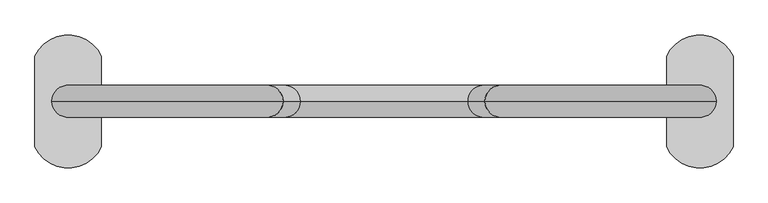
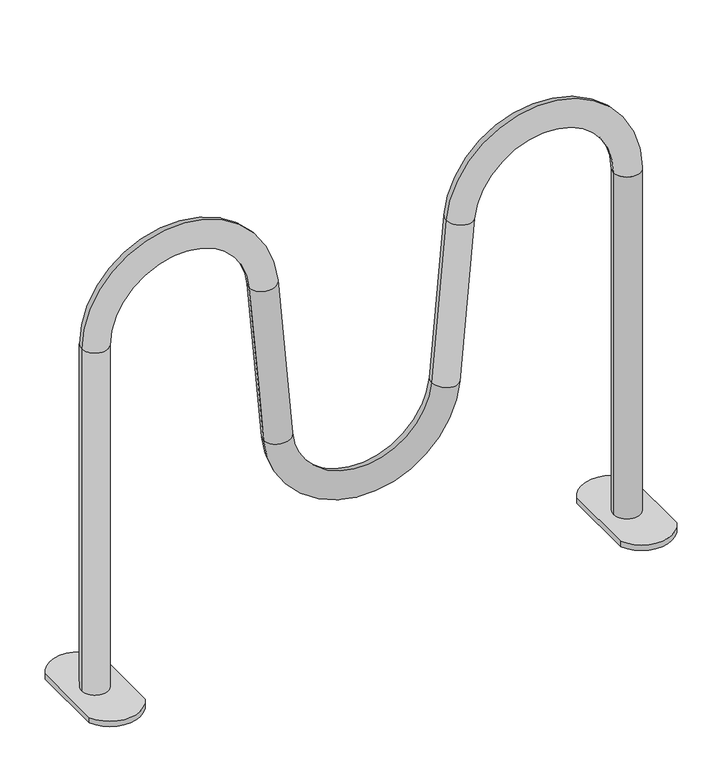
"""IFC4 building model written with IfcOpenShell, lengths in millimetres: furniture geometry."""

from ifc_helpers import new_model, si_unit, point, frame, frame_2d, origin, origin_with_axes, place, context, project, spatial, polyline, circle_curve, ellipse_curve, trimmed, segment, composite_curve, outline, extrude, source, transform, mapped, element, save
from ifc_brep_helpers import plane_surface, cylinder_surface, revolved_surface, advanced_brep


def furniture_773fc859(model_context):
    return source(origin(), model_context, "Body", "SolidModel", [
        extrude(outline(composite_curve([segment(trimmed(circle_curve(frame_2d((474.8388889, -44.9375383)), 55.0625), [point((524.8388889, -68.0000383))], [point((424.8388889, -68.0000383))], False, "CARTESIAN"), True, "CONTINUOUS"), segment(polyline([(424.8388889, -68.0000383), (424.8388889, 67.9999617)]), True, "CONTINUOUS"), segment(trimmed(circle_curve(frame_2d((474.8388889, 44.9374617)), 55.0625), [point((424.8388889, 67.9999617))], [point((524.8388889, 67.9999617))], False, "CARTESIAN"), True, "CONTINUOUS"), segment(polyline([(524.8388889, 67.9999617), (524.8388889, -68.0000383)]), True, "CONTINUOUS")], self_intersect=False)), origin_with_axes(), (0.0, 0.0, 1.0), 10.0),
        extrude(outline(composite_curve([segment(polyline([(-524.8388889, -68.0000383), (-524.8388889, 67.9999617)]), True, "CONTINUOUS"), segment(trimmed(circle_curve(frame_2d((-474.8388889, 44.9374617)), 55.0625), [point((-524.8388889, 67.9999617))], [point((-424.8388889, 67.9999617))], False, "CARTESIAN"), True, "CONTINUOUS"), segment(polyline([(-424.8388889, 67.9999617), (-424.8388889, -68.0000383)]), True, "CONTINUOUS"), segment(trimmed(circle_curve(frame_2d((-474.8388889, -44.9375383)), 55.0625), [point((-424.8388889, -68.0000383))], [point((-524.8388889, -68.0000383))], False, "CARTESIAN"), True, "CONTINUOUS")], self_intersect=False)), origin_with_axes(), (0.0, 0.0, 1.0), 10.0),
        advanced_brep(
        [(-499.170418, 0.0, 10.0), (-451.170418, 0.0, 10.0), (-499.170418, 0.0, 655.5150113), (-451.170418, 0.0, 655.5150113), (-199.618154, 0.0, 666.4980203), (-151.8008084, 0.0, 670.681496), (-125.7877416, 0.0, 373.3507809), (-173.6050871, 0.0, 369.1673052), (173.6050871, 0.0, 369.1673052), (125.7877416, 0.0, 373.3507809), (151.8008084, 0.0, 670.681496), (199.618154, 0.0, 666.4980203), (451.170418, 0.0, 655.5150113), (499.170418, 0.0, 655.5150113), (499.170418, 0.0, 10.0), (451.170418, 0.0, 10.0)],
        [
            (0, 1, circle_curve(frame((-475.170418, 0.0, 10.0), z_axis=(0.0, 0.0, -1.0), x_axis=(1.0, 0.0, 0.0)), 24.0)),
            (1, 0, circle_curve(frame((-475.170418, 0.0, 10.0), z_axis=(0.0, 0.0, -1.0), x_axis=(1.0, 0.0, 0.0)), 24.0)),
            (0, 2),
            (2, 3, circle_curve(frame((-475.170418, 0.0, 655.5150113), z_axis=(0.0, 0.0, -1.0), x_axis=(1.0, 0.0, 0.0)), 24.0)),
            (3, 1),
            (3, 2, circle_curve(frame((-475.170418, 0.0, 655.5150113), z_axis=(0.0, 0.0, -1.0), x_axis=(1.0, 0.0, 0.0)), 24.0)),
            (4, 3, circle_curve(frame((-325.1545217, 0.0, 655.5150113), z_axis=(0.0, -1.0, 0.0), x_axis=(-1.0, 0.0, 0.0)), 126.0158963)),
            (2, 5, circle_curve(frame((-325.1545217, 0.0, 655.5150113), z_axis=(0.0, 1.0, 0.0), x_axis=(-1.0, 0.0, 0.0)), 174.0158963)),
            (5, 4, circle_curve(frame((-175.7094812, 0.0, 668.5897581), z_axis=(-0.08715574274766273, 0.0, 0.9961946980917452), x_axis=(-0.9961946980917452, 0.0, -0.08715574274766273)), 24.0)),
            (4, 5, circle_curve(frame((-175.7094812, 0.0, 668.5897581), z_axis=(-0.08715574274766186, 0.0, 0.9961946980917452), x_axis=(-0.9961946980917452, 0.0, -0.08715574274766186)), 24.0)),
            (5, 6),
            (6, 7, circle_curve(frame((-149.6964143, 0.0, 371.2590431), z_axis=(-0.08715574274765645, 0.0, 0.9961946980917458), x_axis=(-0.9961946980917458, 0.0, -0.08715574274765645)), 24.0)),
            (7, 4),
            (7, 6, circle_curve(frame((-149.6964143, 0.0, 371.2590431), z_axis=(-0.08715574274765645, 0.0, 0.9961946980917458), x_axis=(-0.9961946980917458, 0.0, -0.08715574274765645)), 24.0)),
            (8, 7, circle_curve(frame((0.0, 0.0, 384.3557823), z_axis=(0.0, 1.0, 0.0), x_axis=(-0.9961946980917463, 0.0, -0.0871557427476491)), 174.2682303)),
            (6, 9, circle_curve(frame((0.0, 0.0, 384.3557823), z_axis=(0.0, -1.0, 0.0), x_axis=(-0.9961946980917463, 0.0, -0.0871557427476491)), 126.2682303)),
            (9, 8, circle_curve(frame((149.6964143, 0.0, 371.2590431), z_axis=(-0.08715574274765478, 0.0, -0.9961946980917459), x_axis=(0.9961946980917459, 0.0, -0.08715574274765478)), 24.0)),
            (8, 9, circle_curve(frame((149.6964143, 0.0, 371.2590431), z_axis=(-0.08715574274765656, 0.0, -0.9961946980917457), x_axis=(0.9961946980917457, 0.0, -0.08715574274765656)), 24.0)),
            (9, 10),
            (10, 11, circle_curve(frame((175.7094812, 0.0, 668.5897581), z_axis=(-0.08715574274765646, 0.0, -0.9961946980917458), x_axis=(0.9961946980917458, 0.0, -0.08715574274765646)), 24.0)),
            (11, 8),
            (11, 10, circle_curve(frame((175.7094812, 0.0, 668.5897581), z_axis=(-0.08715574274765646, 0.0, -0.9961946980917458), x_axis=(0.9961946980917458, 0.0, -0.08715574274765646)), 24.0)),
            (12, 11, circle_curve(frame((325.1545217, 0.0, 655.5150113), z_axis=(0.0, -1.0, 0.0), x_axis=(-0.9961946980917457, 0.0, 0.08715574274765718)), 126.0158963)),
            (10, 13, circle_curve(frame((325.1545217, 0.0, 655.5150113), z_axis=(0.0, 1.0, 0.0), x_axis=(-0.9961946980917457, 0.0, 0.08715574274765718)), 174.0158963)),
            (13, 12, circle_curve(frame((475.170418, 0.0, 655.5150113), z_axis=(0.0, 0.0, 1.0), x_axis=(-1.0, 0.0, 0.0)), 24.0)),
            (12, 13, circle_curve(frame((475.170418, 0.0, 655.5150113), z_axis=(0.0, 0.0, 1.0), x_axis=(-1.0, 0.0, 0.0)), 24.0)),
            (14, 15, circle_curve(frame((475.170418, 0.0, 10.0), z_axis=(0.0, 0.0, -1.0), x_axis=(-1.0, 0.0, 0.0)), 24.0)),
            (15, 14, circle_curve(frame((475.170418, 0.0, 10.0), z_axis=(0.0, 0.0, -1.0), x_axis=(-1.0, 0.0, 0.0)), 24.0)),
            (13, 14),
            (15, 12),
        ],
        [
            plane_surface(frame((-451.170418, 0.0, 10.0), z_axis=(0.0, 0.0, -1.0), x_axis=(0.0, -1.0, 0.0))),
            cylinder_surface(frame((-475.170418, 0.0, 10.0), z_axis=(0.0, 0.0, -1.0), x_axis=(1.0, 0.0, 0.0)), 24.0),
            revolved_surface(trimmed(ellipse_curve(frame((-475.170418, 0.0, 655.5150113), z_axis=(0.0, 0.0, -1.0), x_axis=(1.0, 0.0, 0.0)), 24.0, 24.0), [point((-499.170418, 0.0, 655.5150113))], [point((-451.170418, 0.0, 655.5150113))], True, "CARTESIAN"), (-325.1545217, 0.0, 655.5150113), (0.0, 1.0, 0.0)),
            revolved_surface(trimmed(ellipse_curve(frame((-475.170418, 0.0, 655.5150113), z_axis=(0.0, 0.0, -1.0), x_axis=(1.0, 0.0, 0.0)), 24.0, 24.0), [point((-451.170418, 0.0, 655.5150113))], [point((-499.170418, 0.0, 655.5150113))], True, "CARTESIAN"), (-325.1545217, 0.0, 655.5150113), (0.0, 1.0, 0.0)),
            cylinder_surface(frame((-175.7094812, 0.0, 668.5897581), z_axis=(-0.08715574274765645, 0.0, 0.9961946980917458), x_axis=(-0.9961946980917458, 0.0, -0.08715574274765645)), 24.0),
            revolved_surface(trimmed(ellipse_curve(frame((-149.6964143, 0.0, 371.2590431), z_axis=(-0.08715574274764909, 0.0, 0.9961946980917463), x_axis=(-0.9961946980917463, 0.0, -0.08715574274764909)), 24.0, 24.0), [point((-125.7877416, 0.0, 373.3507809))], [point((-173.6050871, 0.0, 369.1673052))], True, "CARTESIAN"), (0.0, 0.0, 384.3557823), (0.0, -1.0, 0.0)),
            revolved_surface(trimmed(ellipse_curve(frame((-149.6964143, 0.0, 371.2590431), z_axis=(-0.08715574274764909, 0.0, 0.9961946980917463), x_axis=(-0.9961946980917463, 0.0, -0.08715574274764909)), 24.0, 24.0), [point((-173.6050871, 0.0, 369.1673052))], [point((-125.7877416, 0.0, 373.3507809))], True, "CARTESIAN"), (0.0, 0.0, 384.3557823), (0.0, -1.0, 0.0)),
            cylinder_surface(frame((149.6964143, 0.0, 371.2590431), z_axis=(-0.08715574274765646, 0.0, -0.9961946980917458), x_axis=(0.9961946980917458, 0.0, -0.08715574274765646)), 24.0),
            revolved_surface(trimmed(ellipse_curve(frame((175.7094812, 0.0, 668.5897581), z_axis=(-0.08715574274765721, 0.0, -0.9961946980917457), x_axis=(0.9961946980917457, 0.0, -0.08715574274765721)), 24.0, 24.0), [point((151.8008084, 0.0, 670.681496))], [point((199.618154, 0.0, 666.4980203))], True, "CARTESIAN"), (325.1545217, 0.0, 655.5150113), (0.0, 1.0, 0.0)),
            revolved_surface(trimmed(ellipse_curve(frame((175.7094812, 0.0, 668.5897581), z_axis=(-0.08715574274765721, 0.0, -0.9961946980917457), x_axis=(0.9961946980917457, 0.0, -0.08715574274765721)), 24.0, 24.0), [point((199.618154, 0.0, 666.4980203))], [point((151.8008084, 0.0, 670.681496))], True, "CARTESIAN"), (325.1545217, 0.0, 655.5150113), (0.0, 1.0, 0.0)),
            plane_surface(frame((451.170418, 0.0, 10.0), z_axis=(0.0, 0.0, -1.0), x_axis=(0.0, -1.0, 0.0))),
            cylinder_surface(frame((475.170418, 0.0, 655.5150113), z_axis=(0.0, 0.0, 1.0), x_axis=(-1.0, 0.0, 0.0)), 24.0),
        ],
        [
            (0, [[1, 2]]),
            (1, [[-1, 3, 4, 5]]),
            (1, [[-2, -5, 6, -3]]),
            (2, [[7, -4, 8, 9]]),
            (3, [[-8, -6, -7, 10]]),
            (4, [[-9, 11, 12, 13]]),
            (4, [[-10, -13, 14, -11]]),
            (5, [[15, -12, 16, 17]]),
            (6, [[-16, -14, -15, 18]]),
            (7, [[-17, 19, 20, 21]]),
            (7, [[-18, -21, 22, -19]]),
            (8, [[23, -20, 24, 25]]),
            (9, [[-24, -22, -23, 26]]),
            (10, [[27, 28]]),
            (11, [[-25, 29, -28, 30]]),
            (11, [[-26, -30, -27, -29]]),
        ],
    ),
    ])


if __name__ == "__main__":
    model = new_model("IFC4")
    model_context = context("Model", 3, world=origin())
    ifc_project = project(units=[si_unit("LENGTHUNIT", "METRE", prefix="MILLI")], contexts=[model_context])
    site = spatial("IfcSite", under=ifc_project)
    building = spatial("IfcBuilding", under=site)
    placement = place(None, origin())
    furniture_shape = furniture_773fc859(model_context)
    element("IfcFurniture", 1, at=placement, inside=building, context=model_context, shape_type="MappedRepresentation", body=[
        mapped(furniture_shape, transform((0.0, 0.0, 0.0), x_axis=(1.0, 0.0, 0.0), y_axis=(0.0, 1.0, 0.0), z_axis=(0.0, 0.0, 1.0))),
    ])
    save(model, "model.ifc")
